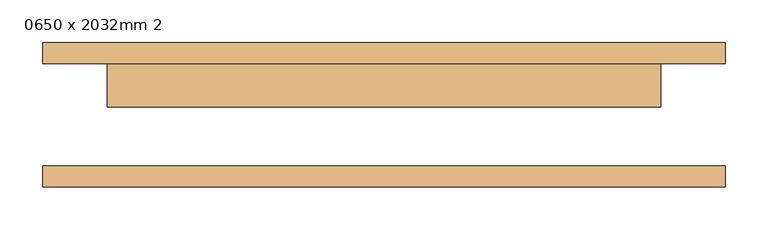
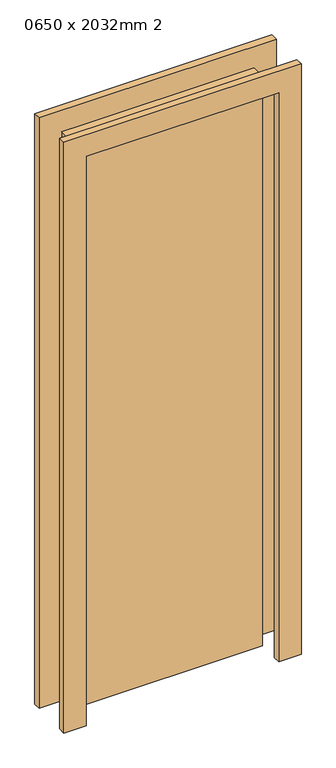
"""IFC4 building model written with IfcOpenShell, lengths in millimetres: door geometry, 0650 x 2032mm 2."""

from ifc_helpers import new_model, si_unit, frame, origin, origin_with_axes, place, context, project, spatial, polyline, outline, extrude, source, transform, mapped, element, save


def door_0650_x_2032mm_2_8b390979(model_context):
    return source(origin(), model_context, "Body", "SweptSolid", [
        extrude(outline(polyline([(2108.0, -401.0), (0.0, -401.0), (0.0, -325.0), (2032.0, -325.0), (2032.0, 325.0), (0.0, 325.0), (0.0, 401.0), (2108.0, 401.0), (2108.0, -401.0)])), frame((0.0, 60.0, 0.0), z_axis=(0.0, 1.0, 0.0), x_axis=(0.0, 0.0, 1.0)), (0.0, 0.0, 1.0), 25.0),
        extrude(outline(polyline([(2108.0, 401.0), (2108.0, -401.0), (0.0, -401.0), (0.0, -325.0), (2032.0, -325.0), (2032.0, 325.0), (0.0, 325.0), (0.0, 401.0), (2108.0, 401.0)])), frame((0.0, -85.0, 0.0), z_axis=(0.0, 1.0, 0.0), x_axis=(0.0, 0.0, 1.0)), (0.0, 0.0, 1.0), 25.0),
        extrude(outline(polyline([(325.0, 9.0), (-325.0, 9.0), (-325.0, 60.0), (325.0, 60.0), (325.0, 9.0)])), origin_with_axes(), (0.0, 0.0, 1.0), 2032.0),
    ])


if __name__ == "__main__":
    model = new_model("IFC4")
    model_context = context("Model", 3, world=origin())
    ifc_project = project(units=[si_unit("LENGTHUNIT", "METRE", prefix="MILLI")], contexts=[model_context])
    site = spatial("IfcSite", under=ifc_project)
    building = spatial("IfcBuilding", under=site)
    placement = place(None, origin())
    door_0650_x_2032mm_2_shape = door_0650_x_2032mm_2_8b390979(model_context)
    element("IfcDoor", 1, ObjectType="0650 x 2032mm 2", at=placement, inside=building, context=model_context, shape_type="MappedRepresentation", body=[
        mapped(door_0650_x_2032mm_2_shape, transform((0.0, 0.0, 0.0), x_axis=(1.0, 0.0, 0.0), y_axis=(0.0, 1.0, 0.0), z_axis=(0.0, 0.0, 1.0))),
    ])
    save(model, "model.ifc")
